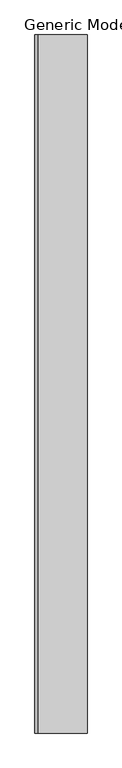
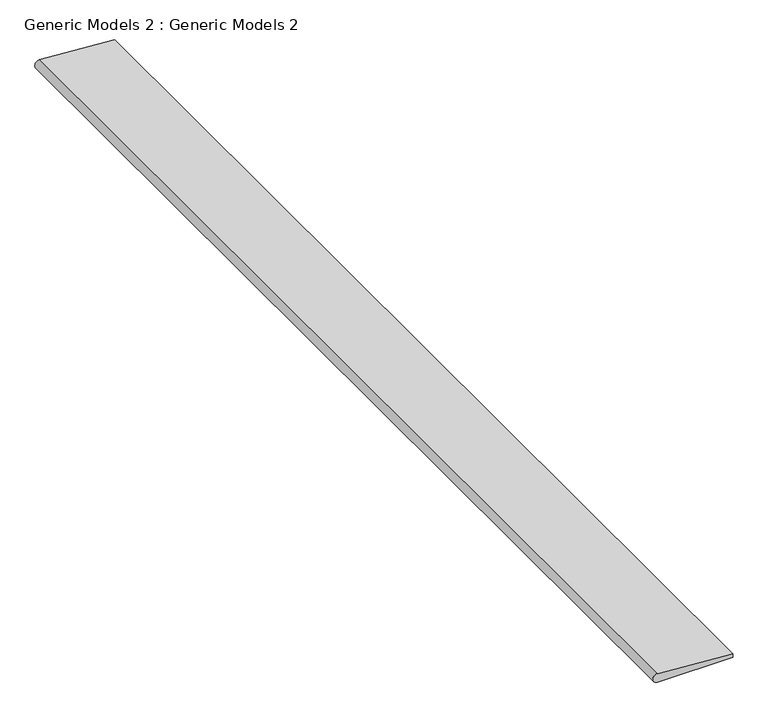
"""IFC4 building model written with IfcOpenShell, lengths in millimetres: proxy geometry, Generic Models 2 : Generic Models 2."""

from ifc_helpers import new_model, si_unit, point, frame, frame_2d, origin, place, context, project, spatial, polyline, circle_curve, trimmed, segment, composite_curve, outline, extrude, source, transform, mapped, element, save


def generic_models_2_generic_models_2_38a3ec8d(model_context):
    return source(origin(), model_context, "Body", "SweptSolid", [
        extrude(outline(composite_curve([segment(polyline([(8400.0, -5363.59199), (8400.0, -5033.59199), (8416.9241521, -5033.59199), (8440.0, -5363.59199)]), True, "CONTINUOUS"), segment(trimmed(circle_curve(frame_2d((8420.0, -5363.59199)), 20.0), [point((8440.0, -5363.59199))], [point((8400.0, -5363.59199))], False, "CARTESIAN"), True, "CONTINUOUS")], self_intersect=False)), frame((0.0, 2121.8397997, 0.0), z_axis=(0.0, 1.0, 0.0), x_axis=(0.0, 0.0, 1.0)), (0.0, 0.0, 1.0), 4686.405959),
    ])


if __name__ == "__main__":
    model = new_model("IFC4")
    model_context = context("Model", 3, world=origin())
    ifc_project = project(units=[si_unit("LENGTHUNIT", "METRE", prefix="MILLI")], contexts=[model_context])
    site = spatial("IfcSite", under=ifc_project)
    building = spatial("IfcBuilding", under=site)
    placement = place(None, origin())
    generic_models_2_generic_models_2_shape = generic_models_2_generic_models_2_38a3ec8d(model_context)
    element("IfcBuildingElementProxy", 1, Name="Generic Models 2 : Generic Models 2", ObjectType="Generic Models 2 : Generic Models 2", at=placement, inside=building, context=model_context, shape_type="MappedRepresentation", body=[
        mapped(generic_models_2_generic_models_2_shape, transform((0.0, 0.0, 0.0), x_axis=(1.0, 0.0, 0.0), y_axis=(0.0, 1.0, 0.0), z_axis=(0.0, 0.0, 1.0))),
    ])
    save(model, "model.ifc")
